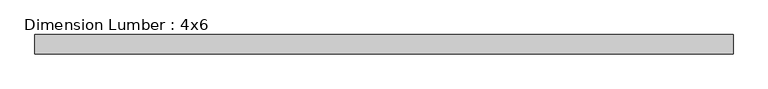
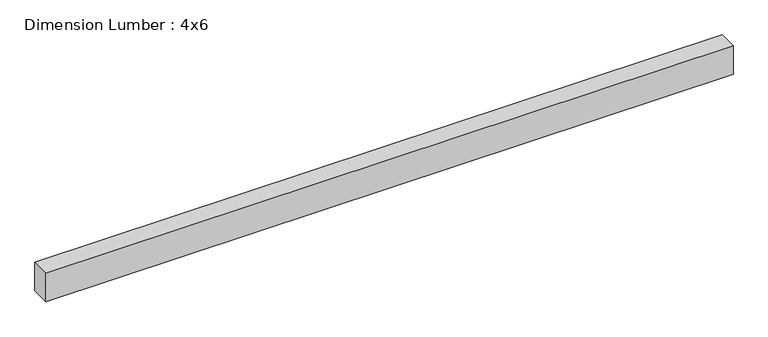
"""IFC4 building model written with IfcOpenShell, lengths in millimetres: beam geometry, Dimension Lumber : 4x6."""

import ifcopenshell
import ifcopenshell.guid

model = None  # the IFC model being written
_history = None  # IfcOwnerHistory: only IFC2X3 demands one
_inside = {}  # id of a spatial element -> (the spatial element, [elements in it])
_under = {}  # id of a project, library or spatial element -> (it, [spatial elements below it])
_declared = {}  # id of a project -> (the project, [libraries it declares])
_typed = {}  # id of a type object -> (the type object, [elements of that type])
_made_of = {}  # id of a material, layer set ... -> (it, [elements and type objects made of it])


def new_model(schema):
    """Start an empty IFC model of exactly this schema.

    Asked for "IFC4X3", IfcOpenShell would pick the latest addendum, in which some entities
    have other attributes; the version numbers below select the first issue.
    IFC2X3 requires an IfcOwnerHistory on every rooted entity: one is made here for all.
    """
    global model, _history
    if schema == "IFC4X3":
        model = ifcopenshell.file(schema_version=(4, 3, 0, 0))
    else:
        model = ifcopenshell.file(schema=schema)
    _inside.clear()
    _under.clear()
    _declared.clear()
    _typed.clear()
    _made_of.clear()
    _history = None
    if model.schema == "IFC2X3":
        org = make("IfcOrganization", Name="unknown")
        user = make(
            "IfcPersonAndOrganization",
            ThePerson=make("IfcPerson", FamilyName="unknown"),
            TheOrganization=org,
        )
        app = make(
            "IfcApplication",
            ApplicationDeveloper=org,
            Version="unknown",
            ApplicationFullName="unknown",
            ApplicationIdentifier="unknown",
        )
        _history = make(
            "IfcOwnerHistory",
            OwningUser=user,
            OwningApplication=app,
            ChangeAction="ADDED",
            CreationDate=0,
        )
    return model


def make(cls, **values):
    """One entity of the class cls with the attributes given. An attribute that is None is left unset."""
    return model.create_entity(
        cls, **{name: value for name, value in values.items() if value is not None}
    )


def rooted(cls, **values):
    """An entity with a GlobalId (a new one), such as an element, a storey or a relation."""
    return make(cls, GlobalId=ifcopenshell.guid.new(), OwnerHistory=_history, **values)


def si_unit(unit_type, name, prefix=None):
    """IfcSIUnit, for example si_unit("LENGTHUNIT", "METRE", prefix="MILLI")."""
    return make("IfcSIUnit", UnitType=unit_type, Prefix=prefix, Name=name)


def assignment(units):
    """IfcUnitAssignment: the units of a project."""
    return None if units is None else make("IfcUnitAssignment", Units=units)


def point(xyz):
    """IfcCartesianPoint."""
    return None if xyz is None else make("IfcCartesianPoint", Coordinates=xyz)


def direction(xyz):
    """IfcDirection."""
    return None if xyz is None else make("IfcDirection", DirectionRatios=xyz)


def frame(location, z_axis=None, x_axis=None):
    """IfcAxis2Placement3D, a coordinate frame: its origin and axes. An axis left out is left unset."""
    return make(
        "IfcAxis2Placement3D",
        Location=point(location),
        Axis=direction(z_axis),
        RefDirection=direction(x_axis),
    )


def origin():
    """The frame at (0, 0, 0) with its axes left unset."""
    return frame((0.0, 0.0, 0.0))


def place(relative_to, where):
    """IfcLocalPlacement: puts the frame where relative to a parent placement (None: the world)."""
    return make(
        "IfcLocalPlacement", PlacementRelTo=relative_to, RelativePlacement=where
    )


def context(
    kind, dimensions, precision=None, world=None, true_north=None, identifier=None
):
    """IfcGeometricRepresentationContext, for example the 3D "Model" context."""
    return make(
        "IfcGeometricRepresentationContext",
        ContextIdentifier=identifier,
        ContextType=kind,
        CoordinateSpaceDimension=dimensions,
        Precision=precision,
        WorldCoordinateSystem=world,
        TrueNorth=true_north,
    )


def project(units=None, contexts=None):
    """IfcProject with its units and contexts."""
    return rooted(
        "IfcProject",
        Name="project",
        RepresentationContexts=contexts,
        UnitsInContext=assignment(units),
    )


def spatial(cls, under=None, at=None, **own):
    """A site, building, storey or space (cls), placed at a placement, below another one or the project."""
    s = rooted(cls, ObjectPlacement=at, **own)
    if under is not None:
        _under.setdefault(under.id(), (under, []))[1].append(s)
    return s


def polyline(points):
    """IfcPolyline through the points."""
    return make("IfcPolyline", Points=[point(p) for p in points])


def outline(outer, holes=None, kind="AREA"):
    """IfcArbitraryClosedProfileDef: a profile drawn as a closed curve; with holes, ...WithVoids."""
    if holes is None:
        return make("IfcArbitraryClosedProfileDef", ProfileType=kind, OuterCurve=outer)
    return make(
        "IfcArbitraryProfileDefWithVoids",
        ProfileType=kind,
        OuterCurve=outer,
        InnerCurves=holes,
    )


def extrude(swept, where, along, depth):
    """IfcExtrudedAreaSolid: the profile swept, set in the frame where, extruded along a direction by depth."""
    return make(
        "IfcExtrudedAreaSolid",
        SweptArea=swept,
        Position=where,
        ExtrudedDirection=direction(along),
        Depth=depth,
    )


def shape(context_of_items, identifier, shape_type, items):
    """IfcShapeRepresentation: the items that make up one representation, for example the "Body"."""
    return make(
        "IfcShapeRepresentation",
        ContextOfItems=context_of_items,
        RepresentationIdentifier=identifier,
        RepresentationType=shape_type,
        Items=items,
    )


def source(mapping_origin, context_of_items, identifier, shape_type, items):
    """IfcRepresentationMap: a shape defined once, which mapped items show again and again."""
    return make(
        "IfcRepresentationMap",
        MappingOrigin=mapping_origin,
        MappedRepresentation=shape(context_of_items, identifier, shape_type, items),
    )


def transform(
    local_origin,
    x_axis=None,
    y_axis=None,
    z_axis=None,
    scale=None,
    scale2=None,
    scale3=None,
    uniform=True,
):
    """IfcCartesianTransformationOperator3D, or its non-uniform kind. x_axis, y_axis, z_axis: its Axis1, 2, 3."""
    if uniform:
        return make(
            "IfcCartesianTransformationOperator3D",
            Axis1=direction(x_axis),
            Axis2=direction(y_axis),
            LocalOrigin=point(local_origin),
            Scale=scale,
            Axis3=direction(z_axis),
        )
    return make(
        "IfcCartesianTransformationOperator3DnonUniform",
        Axis1=direction(x_axis),
        Axis2=direction(y_axis),
        LocalOrigin=point(local_origin),
        Scale=scale,
        Axis3=direction(z_axis),
        Scale2=scale2,
        Scale3=scale3,
    )


def mapped(mapping_source, mapping_target):
    """IfcMappedItem: shows the shape of a source again, moved by a transform."""
    return make(
        "IfcMappedItem", MappingSource=mapping_source, MappingTarget=mapping_target
    )


def made_of(thing, what):
    """Note that an element or type object is made of a material, layer set ...; save() writes the relation."""
    if what is not None:
        _made_of.setdefault(what.id(), (what, []))[1].append(thing)
    return thing


def element(
    cls,
    number,
    at=None,
    inside=None,
    cuts=None,
    type_object=None,
    material=None,
    context=None,
    identifier="Body",
    shape_type=None,
    held_by="IfcProductDefinitionShape",
    body=None,
    shapes=None,
    **own,
):
    """One element of the class cls, such as IfcWall. Its Tag is "e" and its number.

    at: its placement. inside: the storey or other place that contains it. cuts: it is an
    opening in that element (IfcRelVoidsElement). A single representation is given by context,
    identifier, shape_type and body (its items); several are given by shapes. held_by: the class
    of the entity that holds the representations. save() writes the other relations.
    """
    e = rooted(cls, Tag="e%d" % number, ObjectPlacement=at, **own)
    if body is not None:
        shapes = [shape(context, identifier, shape_type, body)]
    if shapes is not None:
        e.Representation = make(held_by, Representations=shapes)
    if inside is not None:
        _inside.setdefault(inside.id(), (inside, []))[1].append(e)
    if cuts is not None:
        rooted(
            "IfcRelVoidsElement", RelatingBuildingElement=cuts, RelatedOpeningElement=e
        )
    if type_object is not None:
        _typed.setdefault(type_object.id(), (type_object, []))[1].append(e)
    return made_of(e, material)


def aggregate(whole, parts):
    """IfcRelAggregates: a whole, such as a stair, and the parts it consists of."""
    return rooted("IfcRelAggregates", RelatingObject=whole, RelatedObjects=parts)


def save(model, path):
    """Write the relations noted so far, then the file.

    IfcRelAggregates (storeys below a building ...), IfcRelContainedInSpatialStructure (elements
    in a storey), IfcRelDefinesByType, IfcRelAssociatesMaterial and IfcRelDeclares: one each for
    every whole, place, type object, material and project.
    """
    for whole, parts in _under.values():
        aggregate(whole, parts)
    for where, things in _inside.values():
        rooted(
            "IfcRelContainedInSpatialStructure",
            RelatedElements=things,
            RelatingStructure=where,
        )
    for kind, things in _typed.values():
        rooted("IfcRelDefinesByType", RelatedObjects=things, RelatingType=kind)
    for what, things in _made_of.values():
        rooted("IfcRelAssociatesMaterial", RelatedObjects=things, RelatingMaterial=what)
    for by, libraries in _declared.values():
        rooted("IfcRelDeclares", RelatingContext=by, RelatedDefinitions=libraries)
    model.write(path)


def dimension_lumber_4x6_f6f82511(model_context):
    return source(origin(), model_context, "Body", "SweptSolid", [
        extrude(outline(polyline([(1605.5153141, 44.45), (1605.5153141, -44.45), (-1605.5153141, -44.45), (-1605.5153141, 44.45), (1605.5153141, 44.45)])), frame((0.0, 0.0, -69.85), z_axis=(0.0, 0.0, 1.0), x_axis=(1.0, 0.0, 0.0)), (0.0, 0.0, 1.0), 139.7),
    ])


if __name__ == "__main__":
    model = new_model("IFC4")
    model_context = context("Model", 3, world=origin())
    ifc_project = project(units=[si_unit("LENGTHUNIT", "METRE", prefix="MILLI")], contexts=[model_context])
    site = spatial("IfcSite", under=ifc_project)
    building = spatial("IfcBuilding", under=site)
    placement = place(None, origin())
    dimension_lumber_4x6_shape = dimension_lumber_4x6_f6f82511(model_context)
    element("IfcBeam", 1, ObjectType="Dimension Lumber : 4x6", at=placement, inside=building, context=model_context, shape_type="MappedRepresentation", body=[
        mapped(dimension_lumber_4x6_shape, transform((0.0, 0.0, 0.0), x_axis=(1.0, 0.0, 0.0), y_axis=(0.0, 1.0, 0.0), z_axis=(0.0, 0.0, 1.0))),
    ])
    save(model, "model.ifc")
